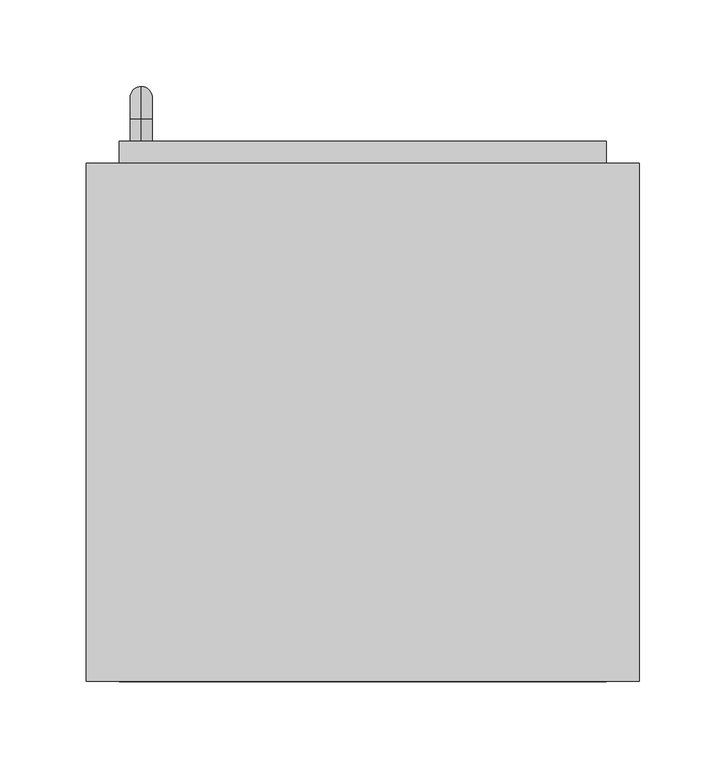
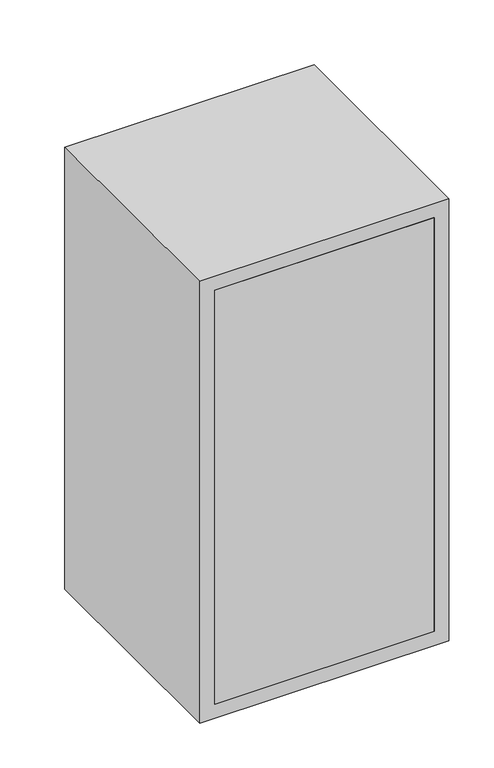
"""IFC4 building model written with IfcOpenShell, lengths in millimetres: furniture geometry."""

import ifcopenshell
import ifcopenshell.guid

model = None  # the IFC model being written
_history = None  # IfcOwnerHistory: only IFC2X3 demands one
_inside = {}  # id of a spatial element -> (the spatial element, [elements in it])
_under = {}  # id of a project, library or spatial element -> (it, [spatial elements below it])
_declared = {}  # id of a project -> (the project, [libraries it declares])
_typed = {}  # id of a type object -> (the type object, [elements of that type])
_made_of = {}  # id of a material, layer set ... -> (it, [elements and type objects made of it])


def new_model(schema):
    """Start an empty IFC model of exactly this schema.

    Asked for "IFC4X3", IfcOpenShell would pick the latest addendum, in which some entities
    have other attributes; the version numbers below select the first issue.
    IFC2X3 requires an IfcOwnerHistory on every rooted entity: one is made here for all.
    """
    global model, _history
    if schema == "IFC4X3":
        model = ifcopenshell.file(schema_version=(4, 3, 0, 0))
    else:
        model = ifcopenshell.file(schema=schema)
    _inside.clear()
    _under.clear()
    _declared.clear()
    _typed.clear()
    _made_of.clear()
    _history = None
    if model.schema == "IFC2X3":
        org = make("IfcOrganization", Name="unknown")
        user = make(
            "IfcPersonAndOrganization",
            ThePerson=make("IfcPerson", FamilyName="unknown"),
            TheOrganization=org,
        )
        app = make(
            "IfcApplication",
            ApplicationDeveloper=org,
            Version="unknown",
            ApplicationFullName="unknown",
            ApplicationIdentifier="unknown",
        )
        _history = make(
            "IfcOwnerHistory",
            OwningUser=user,
            OwningApplication=app,
            ChangeAction="ADDED",
            CreationDate=0,
        )
    return model


def make(cls, **values):
    """One entity of the class cls with the attributes given. An attribute that is None is left unset."""
    return model.create_entity(
        cls, **{name: value for name, value in values.items() if value is not None}
    )


def rooted(cls, **values):
    """An entity with a GlobalId (a new one), such as an element, a storey or a relation."""
    return make(cls, GlobalId=ifcopenshell.guid.new(), OwnerHistory=_history, **values)


def si_unit(unit_type, name, prefix=None):
    """IfcSIUnit, for example si_unit("LENGTHUNIT", "METRE", prefix="MILLI")."""
    return make("IfcSIUnit", UnitType=unit_type, Prefix=prefix, Name=name)


def assignment(units):
    """IfcUnitAssignment: the units of a project."""
    return None if units is None else make("IfcUnitAssignment", Units=units)


def point(xyz):
    """IfcCartesianPoint."""
    return None if xyz is None else make("IfcCartesianPoint", Coordinates=xyz)


def direction(xyz):
    """IfcDirection."""
    return None if xyz is None else make("IfcDirection", DirectionRatios=xyz)


def frame(location, z_axis=None, x_axis=None):
    """IfcAxis2Placement3D, a coordinate frame: its origin and axes. An axis left out is left unset."""
    return make(
        "IfcAxis2Placement3D",
        Location=point(location),
        Axis=direction(z_axis),
        RefDirection=direction(x_axis),
    )


def origin():
    """The frame at (0, 0, 0) with its axes left unset."""
    return frame((0.0, 0.0, 0.0))


def place(relative_to, where):
    """IfcLocalPlacement: puts the frame where relative to a parent placement (None: the world)."""
    return make(
        "IfcLocalPlacement", PlacementRelTo=relative_to, RelativePlacement=where
    )


def context(
    kind, dimensions, precision=None, world=None, true_north=None, identifier=None
):
    """IfcGeometricRepresentationContext, for example the 3D "Model" context."""
    return make(
        "IfcGeometricRepresentationContext",
        ContextIdentifier=identifier,
        ContextType=kind,
        CoordinateSpaceDimension=dimensions,
        Precision=precision,
        WorldCoordinateSystem=world,
        TrueNorth=true_north,
    )


def project(units=None, contexts=None):
    """IfcProject with its units and contexts."""
    return rooted(
        "IfcProject",
        Name="project",
        RepresentationContexts=contexts,
        UnitsInContext=assignment(units),
    )


def spatial(cls, under=None, at=None, **own):
    """A site, building, storey or space (cls), placed at a placement, below another one or the project."""
    s = rooted(cls, ObjectPlacement=at, **own)
    if under is not None:
        _under.setdefault(under.id(), (under, []))[1].append(s)
    return s


def polyline(points):
    """IfcPolyline through the points."""
    return make("IfcPolyline", Points=[point(p) for p in points])


def circle_curve(where, radius):
    """IfcCircle in the frame where."""
    return make("IfcCircle", Position=where, Radius=radius)


def ellipse_curve(where, semi_axis1, semi_axis2):
    """IfcEllipse in the frame where."""
    return make(
        "IfcEllipse", Position=where, SemiAxis1=semi_axis1, SemiAxis2=semi_axis2
    )


def trimmed(basis, trim1, trim2, sense, master):
    """IfcTrimmedCurve: the piece of a basis curve between two trims."""
    return make(
        "IfcTrimmedCurve",
        BasisCurve=basis,
        Trim1=trim1,
        Trim2=trim2,
        SenseAgreement=sense,
        MasterRepresentation=master,
    )


def outline(outer, holes=None, kind="AREA"):
    """IfcArbitraryClosedProfileDef: a profile drawn as a closed curve; with holes, ...WithVoids."""
    if holes is None:
        return make("IfcArbitraryClosedProfileDef", ProfileType=kind, OuterCurve=outer)
    return make(
        "IfcArbitraryProfileDefWithVoids",
        ProfileType=kind,
        OuterCurve=outer,
        InnerCurves=holes,
    )


def extrude(swept, where, along, depth):
    """IfcExtrudedAreaSolid: the profile swept, set in the frame where, extruded along a direction by depth."""
    return make(
        "IfcExtrudedAreaSolid",
        SweptArea=swept,
        Position=where,
        ExtrudedDirection=direction(along),
        Depth=depth,
    )


def shape(context_of_items, identifier, shape_type, items):
    """IfcShapeRepresentation: the items that make up one representation, for example the "Body"."""
    return make(
        "IfcShapeRepresentation",
        ContextOfItems=context_of_items,
        RepresentationIdentifier=identifier,
        RepresentationType=shape_type,
        Items=items,
    )


def source(mapping_origin, context_of_items, identifier, shape_type, items):
    """IfcRepresentationMap: a shape defined once, which mapped items show again and again."""
    return make(
        "IfcRepresentationMap",
        MappingOrigin=mapping_origin,
        MappedRepresentation=shape(context_of_items, identifier, shape_type, items),
    )


def transform(
    local_origin,
    x_axis=None,
    y_axis=None,
    z_axis=None,
    scale=None,
    scale2=None,
    scale3=None,
    uniform=True,
):
    """IfcCartesianTransformationOperator3D, or its non-uniform kind. x_axis, y_axis, z_axis: its Axis1, 2, 3."""
    if uniform:
        return make(
            "IfcCartesianTransformationOperator3D",
            Axis1=direction(x_axis),
            Axis2=direction(y_axis),
            LocalOrigin=point(local_origin),
            Scale=scale,
            Axis3=direction(z_axis),
        )
    return make(
        "IfcCartesianTransformationOperator3DnonUniform",
        Axis1=direction(x_axis),
        Axis2=direction(y_axis),
        LocalOrigin=point(local_origin),
        Scale=scale,
        Axis3=direction(z_axis),
        Scale2=scale2,
        Scale3=scale3,
    )


def mapped(mapping_source, mapping_target):
    """IfcMappedItem: shows the shape of a source again, moved by a transform."""
    return make(
        "IfcMappedItem", MappingSource=mapping_source, MappingTarget=mapping_target
    )


def made_of(thing, what):
    """Note that an element or type object is made of a material, layer set ...; save() writes the relation."""
    if what is not None:
        _made_of.setdefault(what.id(), (what, []))[1].append(thing)
    return thing


def element(
    cls,
    number,
    at=None,
    inside=None,
    cuts=None,
    type_object=None,
    material=None,
    context=None,
    identifier="Body",
    shape_type=None,
    held_by="IfcProductDefinitionShape",
    body=None,
    shapes=None,
    **own,
):
    """One element of the class cls, such as IfcWall. Its Tag is "e" and its number.

    at: its placement. inside: the storey or other place that contains it. cuts: it is an
    opening in that element (IfcRelVoidsElement). A single representation is given by context,
    identifier, shape_type and body (its items); several are given by shapes. held_by: the class
    of the entity that holds the representations. save() writes the other relations.
    """
    e = rooted(cls, Tag="e%d" % number, ObjectPlacement=at, **own)
    if body is not None:
        shapes = [shape(context, identifier, shape_type, body)]
    if shapes is not None:
        e.Representation = make(held_by, Representations=shapes)
    if inside is not None:
        _inside.setdefault(inside.id(), (inside, []))[1].append(e)
    if cuts is not None:
        rooted(
            "IfcRelVoidsElement", RelatingBuildingElement=cuts, RelatedOpeningElement=e
        )
    if type_object is not None:
        _typed.setdefault(type_object.id(), (type_object, []))[1].append(e)
    return made_of(e, material)


def aggregate(whole, parts):
    """IfcRelAggregates: a whole, such as a stair, and the parts it consists of."""
    return rooted("IfcRelAggregates", RelatingObject=whole, RelatedObjects=parts)


def save(model, path):
    """Write the relations noted so far, then the file.

    IfcRelAggregates (storeys below a building ...), IfcRelContainedInSpatialStructure (elements
    in a storey), IfcRelDefinesByType, IfcRelAssociatesMaterial and IfcRelDeclares: one each for
    every whole, place, type object, material and project.
    """
    for whole, parts in _under.values():
        aggregate(whole, parts)
    for where, things in _inside.values():
        rooted(
            "IfcRelContainedInSpatialStructure",
            RelatedElements=things,
            RelatingStructure=where,
        )
    for kind, things in _typed.values():
        rooted("IfcRelDefinesByType", RelatedObjects=things, RelatingType=kind)
    for what, things in _made_of.values():
        rooted("IfcRelAssociatesMaterial", RelatedObjects=things, RelatingMaterial=what)
    for by, libraries in _declared.values():
        rooted("IfcRelDeclares", RelatingContext=by, RelatedDefinitions=libraries)
    model.write(path)


def plane_surface(at):
    """IfcPlane: the flat surface through the origin of the frame at, square to its z axis."""
    return make("IfcPlane", Position=at)


def cylinder_surface(at, radius):
    """IfcCylindricalSurface: all points at the distance radius from the z axis of the frame at."""
    return make("IfcCylindricalSurface", Position=at, Radius=radius)


def revolved_surface(curve, axis_point, axis_direction):
    """IfcSurfaceOfRevolution: the curve turned about the line through axis_point along axis_direction."""
    return make(
        "IfcSurfaceOfRevolution",
        SweptCurve=make("IfcArbitraryOpenProfileDef", ProfileType="CURVE", Curve=curve),
        AxisPosition=make("IfcAxis1Placement", Location=point(axis_point), Axis=direction(axis_direction)),
    )


def advanced_brep(points, edges, surfaces, faces):
    """IfcAdvancedBrep: a solid bounded by faces that lie on surfaces and meet in shared edges.

    An edge is (start, end): straight between two places in points (the first is 0);
    or (start, end, curve); or (start, end, curve, False) where it runs against its curve.
    A face is (place in surfaces, loops), or (place, loops, False) where it looks against
    its surface's normal. A loop lists edges by number (the first is 1), with a minus sign
    where the edge is run from its end to its start. The first loop is the outer one.
    """
    corners = [point(p) for p in points]
    vertices = [make("IfcVertexPoint", VertexGeometry=c) for c in corners]
    made = []
    for start, end, *more in edges:
        made.append(
            make(
                "IfcEdgeCurve",
                EdgeStart=vertices[start],
                EdgeEnd=vertices[end],
                EdgeGeometry=more[0] if more else make("IfcPolyline", Points=[corners[start], corners[end]]),
                SameSense=more[1] if len(more) > 1 else True,
            )
        )
    hull = []
    for where, loops, *sense in faces:
        bounds = []
        for j, loop in enumerate(loops):
            ring = [make("IfcOrientedEdge", EdgeElement=made[abs(k) - 1], Orientation=k > 0) for k in loop]
            bounds.append(
                make(
                    "IfcFaceOuterBound" if j == 0 else "IfcFaceBound",
                    Bound=make("IfcEdgeLoop", EdgeList=ring),
                    Orientation=True,
                )
            )
        hull.append(make("IfcAdvancedFace", Bounds=bounds, FaceSurface=surfaces[where], SameSense=sense[0] if sense else True))
    return make("IfcAdvancedBrep", Outer=make("IfcClosedShell", CfsFaces=hull))


def furniture_73d5e3f8(model_context):
    return source(origin(), model_context, "Body", "SolidModel", [
        advanced_brep(
        [(-98.4788372, 385.2, 1546.05), (-98.4788372, 385.2, 1558.75), (-98.4788372, 397.9, 1546.05), (-98.4788372, 397.9, 1558.75), (-98.4788372, 416.95, 1539.7), (-98.4788372, 404.25, 1539.7), (-98.4788372, 404.25, 1463.5), (-98.4788372, 416.95, 1463.5), (-98.4788372, 397.9, 1444.45), (-98.4788372, 397.9, 1457.15), (-98.4788372, 385.2, 1457.15), (-98.4788372, 385.2, 1444.45)],
        [
            (0, 1, circle_curve(frame((-98.4788372, 385.2, 1552.4), z_axis=(0.0, -1.0, 0.0), x_axis=(0.0, 0.0, 1.0)), 6.35)),
            (1, 0, circle_curve(frame((-98.4788372, 385.2, 1552.4), z_axis=(0.0, -1.0, 0.0), x_axis=(0.0, 0.0, 1.0)), 6.35)),
            (0, 2),
            (2, 3, circle_curve(frame((-98.4788372, 397.9, 1552.4), z_axis=(0.0, -1.0, 0.0), x_axis=(0.0, 0.0, 1.0)), 6.35)),
            (3, 1),
            (3, 2, circle_curve(frame((-98.4788372, 397.9, 1552.4), z_axis=(0.0, -1.0, 0.0), x_axis=(0.0, 0.0, 1.0)), 6.35)),
            (4, 3, circle_curve(frame((-98.4788372, 397.9, 1539.7), z_axis=(1.0, 0.0, 0.0), x_axis=(0.0, 0.0, 1.0)), 19.05)),
            (2, 5, circle_curve(frame((-98.4788372, 397.9, 1539.7), z_axis=(-1.0, 0.0, 0.0), x_axis=(0.0, 0.0, 1.0)), 6.35)),
            (5, 4, circle_curve(frame((-98.4788372, 410.6, 1539.7), z_axis=(0.0, 0.0, 1.0), x_axis=(0.0, 1.0, 0.0)), 6.35)),
            (4, 5, circle_curve(frame((-98.4788372, 410.6, 1539.7), z_axis=(0.0, 0.0, 1.0), x_axis=(0.0, 1.0, 0.0)), 6.35)),
            (5, 6),
            (6, 7, circle_curve(frame((-98.4788372, 410.6, 1463.5), z_axis=(0.0, 0.0, 1.0), x_axis=(0.0, 1.0, 0.0)), 6.35)),
            (7, 4),
            (7, 6, circle_curve(frame((-98.4788372, 410.6, 1463.5), z_axis=(0.0, 0.0, 1.0), x_axis=(0.0, 1.0, 0.0)), 6.35)),
            (8, 7, circle_curve(frame((-98.4788372, 397.9, 1463.5), z_axis=(1.0, 0.0, 0.0), x_axis=(0.0, 1.0, 0.0)), 19.05)),
            (6, 9, circle_curve(frame((-98.4788372, 397.9, 1463.5), z_axis=(-1.0, 0.0, 0.0), x_axis=(0.0, 1.0, 0.0)), 6.35)),
            (9, 8, circle_curve(frame((-98.4788372, 397.9, 1450.8), z_axis=(0.0, 1.0, 0.0), x_axis=(0.0, 0.0, -1.0)), 6.35)),
            (8, 9, circle_curve(frame((-98.4788372, 397.9, 1450.8), z_axis=(0.0, 1.0, 0.0), x_axis=(0.0, 0.0, -1.0)), 6.35)),
            (10, 11, circle_curve(frame((-98.4788372, 385.2, 1450.8), z_axis=(0.0, -1.0, 0.0), x_axis=(0.0, 0.0, -1.0)), 6.35)),
            (11, 10, circle_curve(frame((-98.4788372, 385.2, 1450.8), z_axis=(0.0, -1.0, 0.0), x_axis=(0.0, 0.0, -1.0)), 6.35)),
            (9, 10),
            (11, 8),
        ],
        [
            plane_surface(frame((-104.8288372, 385.2, 1552.4), z_axis=(0.0, -1.0, 0.0), x_axis=(0.0, 0.0, 1.0))),
            cylinder_surface(frame((-98.4788372, 385.2, 1552.4), z_axis=(0.0, -1.0, 0.0), x_axis=(0.0, 0.0, 1.0)), 6.35),
            revolved_surface(trimmed(ellipse_curve(frame((-98.4788372, 397.9, 1552.4), z_axis=(0.0, -1.0, 0.0), x_axis=(0.0, 0.0, 1.0)), 6.35, 6.35), [point((-98.4788372, 397.9, 1546.05))], [point((-98.4788372, 397.9, 1558.75))], True, "CARTESIAN"), (-98.4788372, 397.9, 1539.7), (-1.0, 0.0, 0.0)),
            revolved_surface(trimmed(ellipse_curve(frame((-98.4788372, 397.9, 1552.4), z_axis=(0.0, -1.0, 0.0), x_axis=(0.0, 0.0, 1.0)), 6.35, 6.35), [point((-98.4788372, 397.9, 1558.75))], [point((-98.4788372, 397.9, 1546.05))], True, "CARTESIAN"), (-98.4788372, 397.9, 1539.7), (-1.0, 0.0, 0.0)),
            cylinder_surface(frame((-98.4788372, 410.6, 1539.7), z_axis=(0.0, 0.0, 1.0), x_axis=(0.0, 1.0, 0.0)), 6.35),
            revolved_surface(trimmed(ellipse_curve(frame((-98.4788372, 410.6, 1463.5), z_axis=(0.0, 0.0, 1.0), x_axis=(0.0, 1.0, 0.0)), 6.35, 6.35), [point((-98.4788372, 404.25, 1463.5))], [point((-98.4788372, 416.95, 1463.5))], True, "CARTESIAN"), (-98.4788372, 397.9, 1463.5), (-1.0, 0.0, 0.0)),
            revolved_surface(trimmed(ellipse_curve(frame((-98.4788372, 410.6, 1463.5), z_axis=(0.0, 0.0, 1.0), x_axis=(0.0, 1.0, 0.0)), 6.35, 6.35), [point((-98.4788372, 416.95, 1463.5))], [point((-98.4788372, 404.25, 1463.5))], True, "CARTESIAN"), (-98.4788372, 397.9, 1463.5), (-1.0, 0.0, 0.0)),
            plane_surface(frame((-104.8288372, 385.2, 1450.8), z_axis=(0.0, -1.0, 0.0), x_axis=(0.0, 0.0, -1.0))),
            cylinder_surface(frame((-98.4788372, 397.9, 1450.8), z_axis=(0.0, 1.0, 0.0), x_axis=(0.0, 0.0, -1.0)), 6.35),
        ],
        [
            (0, [[1, 2]]),
            (1, [[-1, 3, 4, 5]]),
            (1, [[-2, -5, 6, -3]]),
            (2, [[7, -4, 8, 9]]),
            (3, [[-8, -6, -7, 10]]),
            (4, [[-9, 11, 12, 13]]),
            (4, [[-10, -13, 14, -11]]),
            (5, [[15, -12, 16, 17]]),
            (6, [[-16, -14, -15, 18]]),
            (7, [[19, 20]]),
            (8, [[-17, 21, -20, 22]]),
            (8, [[-18, -22, -19, -21]]),
        ],
    ),
        extrude(outline(polyline([(-111.1788372, 385.2), (170.7211628, 385.2), (170.7211628, 353.45), (-111.1788372, 353.45), (-111.1788372, 385.2)])), frame((0.0, 0.0, 1419.05), z_axis=(0.0, 0.0, 1.0), x_axis=(1.0, 0.0, 0.0)), (0.0, 0.0, 1.0), 561.9),
        extrude(outline(polyline([(170.7211628, 72.5), (-111.1788372, 72.5), (-111.1788372, 91.55), (170.7211628, 91.55), (170.7211628, 72.5)])), frame((0.0, 0.0, 1419.05), z_axis=(0.0, 0.0, 1.0), x_axis=(1.0, 0.0, 0.0)), (0.0, 0.0, 1.0), 561.9),
        extrude(outline(polyline([(2000.0, -130.2288372), (1400.0, -130.2288372), (1400.0, 189.7711628), (2000.0, 189.7711628), (2000.0, -130.2288372)]), holes=[polyline([(1980.95, -111.1788372), (1980.95, 170.7211628), (1419.05, 170.7211628), (1419.05, -111.1788372), (1980.95, -111.1788372)])]), frame((0.0, 72.5, 0.0), z_axis=(0.0, 1.0, 0.0), x_axis=(0.0, 0.0, 1.0)), (0.0, 0.0, 1.0), 300.0),
    ])


if __name__ == "__main__":
    model = new_model("IFC4")
    model_context = context("Model", 3, world=origin())
    ifc_project = project(units=[si_unit("LENGTHUNIT", "METRE", prefix="MILLI")], contexts=[model_context])
    site = spatial("IfcSite", under=ifc_project)
    building = spatial("IfcBuilding", under=site)
    placement = place(None, origin())
    furniture_shape = furniture_73d5e3f8(model_context)
    element("IfcFurniture", 1, at=placement, inside=building, context=model_context, shape_type="MappedRepresentation", body=[
        mapped(furniture_shape, transform((0.0, 0.0, 0.0), x_axis=(1.0, 0.0, 0.0), y_axis=(0.0, 1.0, 0.0), z_axis=(0.0, 0.0, 1.0))),
    ])
    save(model, "model.ifc")
